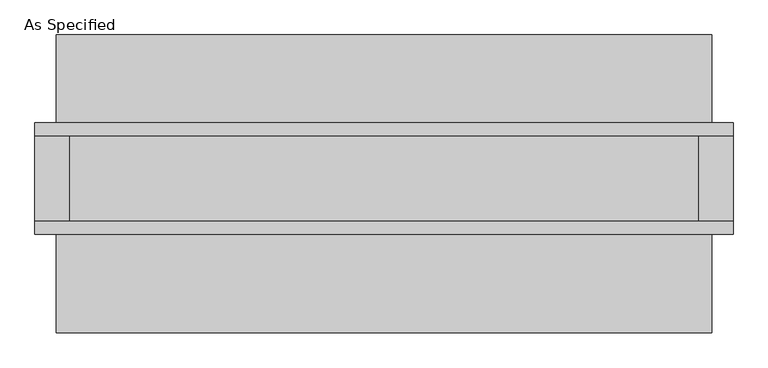
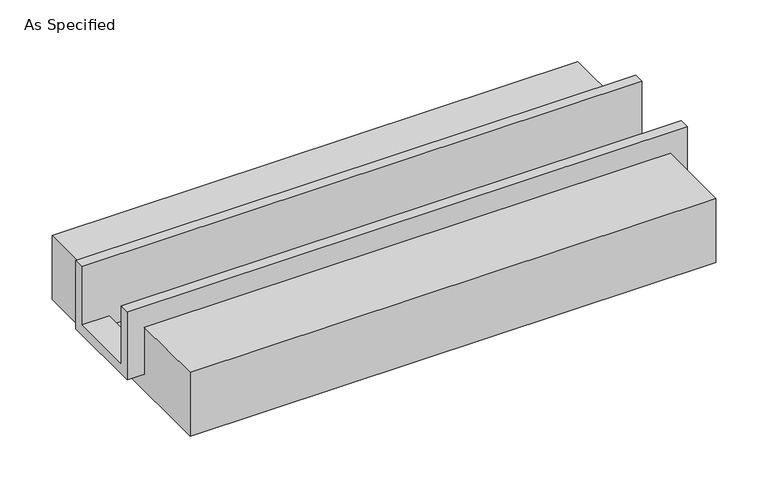
"""IFC4 building model written with IfcOpenShell, lengths in millimetres: proxy geometry, As Specified."""

from ifc_helpers import new_model, si_unit, frame, origin, place, context, project, spatial, polyline, outline, extrude, faceted_brep, source, transform, mapped, element, save


def as_specified_4124357a(model_context):
    return source(origin(), model_context, "Body", "SolidModel", [
        faceted_brep([(-2070.1, 285.75, 139.7), (-2070.1, 361.95, 139.7), (-2070.1, 361.95, -393.7), (-2070.1, -298.45, -393.7), (-2070.1, -298.45, 139.7), (-2070.1, -222.25, 139.7), (-2070.1, -222.25, -317.5), (-2070.1, 285.75, -317.5), (2070.1, 285.75, 139.7), (2070.1, 285.75, -317.5), (2070.1, -222.25, -317.5), (2070.1, -222.25, 139.7), (2070.1, -298.45, 139.7), (2070.1, -298.45, -393.7), (2070.1, 361.95, -393.7), (2070.1, 361.95, 139.7), (1866.9, -222.25, -393.7), (1866.9, 285.75, -393.7), (-1866.9, 285.75, -393.7), (-1866.9, -222.25, -393.7), (1866.9, -222.25, -317.5), (-1866.9, -222.25, -317.5), (-1866.9, 285.75, -317.5), (1866.9, 285.75, -317.5)], [[[0, 1, 2, 3, 4, 5, 6, 7]], [[8, 9, 10, 11, 12, 13, 14, 15]], [[1, 0, 8, 15]], [[2, 1, 15, 14]], [[3, 2, 14, 13], [16, 17, 18, 19]], [[4, 3, 13, 12]], [[5, 4, 12, 11]], [[6, 5, 11, 10, 20, 16, 19, 21]], [[7, 6, 21, 22]], [[10, 9, 23, 20]], [[0, 7, 22, 18, 17, 23, 9, 8]], [[16, 20, 23, 17]], [[21, 19, 18, 22]]]),
        extrude(outline(polyline([(882.65, -25.4), (882.65, -523.9742188), (-882.65, -523.9742188), (-882.65, -25.4), (-298.45, -25.4), (-298.45, -393.7), (361.95, -393.7), (361.95, -25.4), (882.65, -25.4)])), frame((-1943.1, 0.0, 0.0), z_axis=(1.0, 0.0, 0.0), x_axis=(0.0, 1.0, 0.0)), (0.0, 0.0, 1.0), 3886.2),
    ])


if __name__ == "__main__":
    model = new_model("IFC4")
    model_context = context("Model", 3, world=origin())
    ifc_project = project(units=[si_unit("LENGTHUNIT", "METRE", prefix="MILLI")], contexts=[model_context])
    site = spatial("IfcSite", under=ifc_project)
    building = spatial("IfcBuilding", under=site)
    placement = place(None, origin())
    as_specified_shape = as_specified_4124357a(model_context)
    element("IfcBuildingElementProxy", 1, Name="As Specified", ObjectType="As Specified", at=placement, inside=building, context=model_context, shape_type="MappedRepresentation", body=[
        mapped(as_specified_shape, transform((0.0, 0.0, 0.0), x_axis=(1.0, 0.0, 0.0), y_axis=(0.0, 1.0, 0.0), z_axis=(0.0, 0.0, 1.0))),
    ])
    save(model, "model.ifc")
